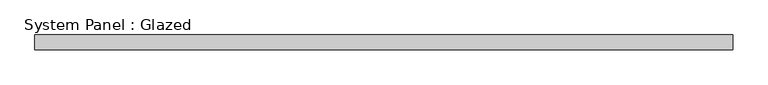
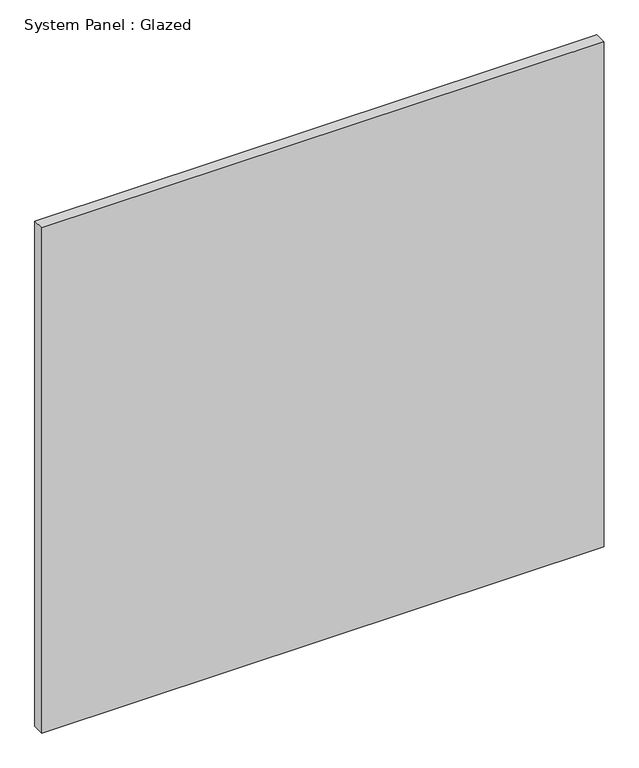
"""IFC4 building model written with IfcOpenShell, lengths in millimetres: plate geometry, System Panel : Glazed."""

from ifc_helpers import new_model, si_unit, origin, origin_with_axes, place, context, project, spatial, polyline, outline, extrude, source, transform, mapped, element, save


def system_panel_glazed_3aebaabc(model_context):
    return source(origin(), model_context, "Body", "SweptSolid", [
        extrude(outline(polyline([(605.3666667, -12.7), (-605.3666667, -12.7), (-605.3666667, 12.7), (605.3666667, 12.7), (605.3666667, -12.7)])), origin_with_axes(), (0.0, 0.0, 1.0), 1149.35),
    ])


if __name__ == "__main__":
    model = new_model("IFC4")
    model_context = context("Model", 3, world=origin())
    ifc_project = project(units=[si_unit("LENGTHUNIT", "METRE", prefix="MILLI")], contexts=[model_context])
    site = spatial("IfcSite", under=ifc_project)
    building = spatial("IfcBuilding", under=site)
    placement = place(None, origin())
    system_panel_glazed_shape = system_panel_glazed_3aebaabc(model_context)
    element("IfcPlate", 1, ObjectType="System Panel : Glazed", at=placement, inside=building, context=model_context, shape_type="MappedRepresentation", body=[
        mapped(system_panel_glazed_shape, transform((0.0, 0.0, 0.0), x_axis=(1.0, 0.0, 0.0), y_axis=(0.0, 1.0, 0.0), z_axis=(0.0, 0.0, 1.0))),
    ])
    save(model, "model.ifc")
